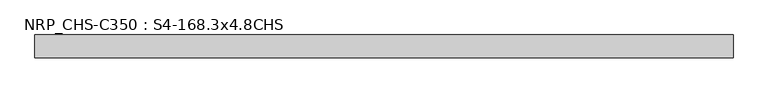
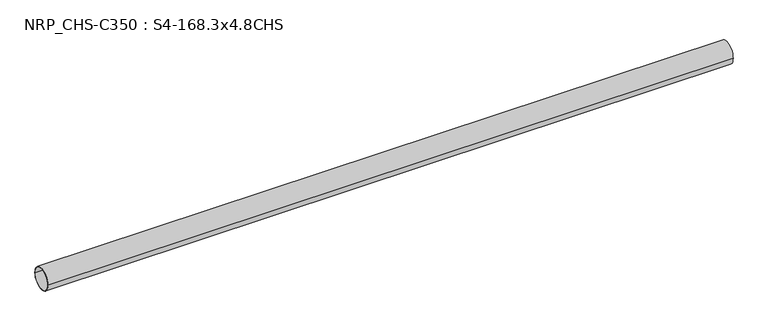
"""IFC4 building model written with IfcOpenShell, lengths in millimetres: beam geometry, NRP_CHS-C350 : S4-168.3x4.8CHS."""

from ifc_helpers import new_model, si_unit, point, frame, origin, origin_2d, place, context, project, spatial, circle_curve, trimmed, segment, composite_curve, outline, extrude, source, transform, mapped, element, save


def nrp_chs_c350_s4_168_3x4_8chs_e8a5e13f(model_context):
    return source(origin(), model_context, "Body", "SweptSolid", [
        extrude(outline(composite_curve([segment(trimmed(circle_curve(origin_2d(), 84.15), [point((-84.15, 0.0))], [point((84.15, 0.0))], False, "CARTESIAN"), True, "CONTINUOUS"), segment(trimmed(circle_curve(origin_2d(), 84.15), [point((84.15, 0.0))], [point((-84.15, 0.0))], False, "CARTESIAN"), True, "CONTINUOUS")], self_intersect=False), holes=[composite_curve([segment(trimmed(circle_curve(origin_2d(), 79.35), [point((79.35, 0.0))], [point((-79.35, 0.0))], True, "CARTESIAN"), True, "CONTINUOUS"), segment(trimmed(circle_curve(origin_2d(), 79.35), [point((-79.35, 0.0))], [point((79.35, 0.0))], True, "CARTESIAN"), True, "CONTINUOUS")], self_intersect=False)]), frame((-2576.45, 0.0, 0.0), z_axis=(1.0, 0.0, 0.0), x_axis=(0.0, 1.0, 0.0)), (0.0, 0.0, 1.0), 5152.9),
    ])


if __name__ == "__main__":
    model = new_model("IFC4")
    model_context = context("Model", 3, world=origin())
    ifc_project = project(units=[si_unit("LENGTHUNIT", "METRE", prefix="MILLI")], contexts=[model_context])
    site = spatial("IfcSite", under=ifc_project)
    building = spatial("IfcBuilding", under=site)
    placement = place(None, origin())
    nrp_chs_c350_s4_168_3x4_8chs_shape = nrp_chs_c350_s4_168_3x4_8chs_e8a5e13f(model_context)
    element("IfcBeam", 1, ObjectType="NRP_CHS-C350 : S4-168.3x4.8CHS", at=placement, inside=building, context=model_context, shape_type="MappedRepresentation", body=[
        mapped(nrp_chs_c350_s4_168_3x4_8chs_shape, transform((0.0, 0.0, 0.0), x_axis=(1.0, 0.0, 0.0), y_axis=(0.0, 1.0, 0.0), z_axis=(0.0, 0.0, 1.0))),
    ])
    save(model, "model.ifc")
